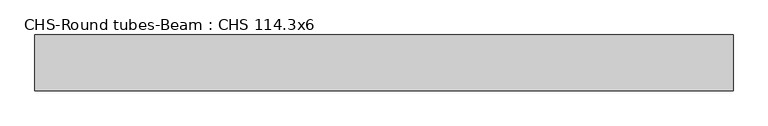
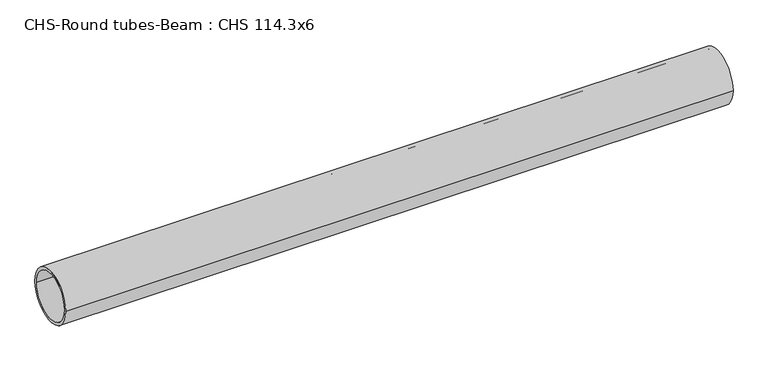
"""IFC4 building model written with IfcOpenShell, lengths in millimetres: beam geometry, CHS-Round tubes-Beam : CHS 114.3x6."""

import ifcopenshell
import ifcopenshell.guid

model = None  # the IFC model being written
_history = None  # IfcOwnerHistory: only IFC2X3 demands one
_inside = {}  # id of a spatial element -> (the spatial element, [elements in it])
_under = {}  # id of a project, library or spatial element -> (it, [spatial elements below it])
_declared = {}  # id of a project -> (the project, [libraries it declares])
_typed = {}  # id of a type object -> (the type object, [elements of that type])
_made_of = {}  # id of a material, layer set ... -> (it, [elements and type objects made of it])


def new_model(schema):
    """Start an empty IFC model of exactly this schema.

    Asked for "IFC4X3", IfcOpenShell would pick the latest addendum, in which some entities
    have other attributes; the version numbers below select the first issue.
    IFC2X3 requires an IfcOwnerHistory on every rooted entity: one is made here for all.
    """
    global model, _history
    if schema == "IFC4X3":
        model = ifcopenshell.file(schema_version=(4, 3, 0, 0))
    else:
        model = ifcopenshell.file(schema=schema)
    _inside.clear()
    _under.clear()
    _declared.clear()
    _typed.clear()
    _made_of.clear()
    _history = None
    if model.schema == "IFC2X3":
        org = make("IfcOrganization", Name="unknown")
        user = make(
            "IfcPersonAndOrganization",
            ThePerson=make("IfcPerson", FamilyName="unknown"),
            TheOrganization=org,
        )
        app = make(
            "IfcApplication",
            ApplicationDeveloper=org,
            Version="unknown",
            ApplicationFullName="unknown",
            ApplicationIdentifier="unknown",
        )
        _history = make(
            "IfcOwnerHistory",
            OwningUser=user,
            OwningApplication=app,
            ChangeAction="ADDED",
            CreationDate=0,
        )
    return model


def make(cls, **values):
    """One entity of the class cls with the attributes given. An attribute that is None is left unset."""
    return model.create_entity(
        cls, **{name: value for name, value in values.items() if value is not None}
    )


def rooted(cls, **values):
    """An entity with a GlobalId (a new one), such as an element, a storey or a relation."""
    return make(cls, GlobalId=ifcopenshell.guid.new(), OwnerHistory=_history, **values)


def si_unit(unit_type, name, prefix=None):
    """IfcSIUnit, for example si_unit("LENGTHUNIT", "METRE", prefix="MILLI")."""
    return make("IfcSIUnit", UnitType=unit_type, Prefix=prefix, Name=name)


def assignment(units):
    """IfcUnitAssignment: the units of a project."""
    return None if units is None else make("IfcUnitAssignment", Units=units)


def point(xyz):
    """IfcCartesianPoint."""
    return None if xyz is None else make("IfcCartesianPoint", Coordinates=xyz)


def direction(xyz):
    """IfcDirection."""
    return None if xyz is None else make("IfcDirection", DirectionRatios=xyz)


def frame(location, z_axis=None, x_axis=None):
    """IfcAxis2Placement3D, a coordinate frame: its origin and axes. An axis left out is left unset."""
    return make(
        "IfcAxis2Placement3D",
        Location=point(location),
        Axis=direction(z_axis),
        RefDirection=direction(x_axis),
    )


def frame_2d(location, x_axis=None):
    """IfcAxis2Placement2D, a coordinate frame in the plane: its origin and x axis."""
    return make(
        "IfcAxis2Placement2D", Location=point(location), RefDirection=direction(x_axis)
    )


def origin():
    """The frame at (0, 0, 0) with its axes left unset."""
    return frame((0.0, 0.0, 0.0))


def origin_2d():
    """The frame at (0, 0) in the plane with its x axis left unset."""
    return frame_2d((0.0, 0.0))


def place(relative_to, where):
    """IfcLocalPlacement: puts the frame where relative to a parent placement (None: the world)."""
    return make(
        "IfcLocalPlacement", PlacementRelTo=relative_to, RelativePlacement=where
    )


def context(
    kind, dimensions, precision=None, world=None, true_north=None, identifier=None
):
    """IfcGeometricRepresentationContext, for example the 3D "Model" context."""
    return make(
        "IfcGeometricRepresentationContext",
        ContextIdentifier=identifier,
        ContextType=kind,
        CoordinateSpaceDimension=dimensions,
        Precision=precision,
        WorldCoordinateSystem=world,
        TrueNorth=true_north,
    )


def project(units=None, contexts=None):
    """IfcProject with its units and contexts."""
    return rooted(
        "IfcProject",
        Name="project",
        RepresentationContexts=contexts,
        UnitsInContext=assignment(units),
    )


def spatial(cls, under=None, at=None, **own):
    """A site, building, storey or space (cls), placed at a placement, below another one or the project."""
    s = rooted(cls, ObjectPlacement=at, **own)
    if under is not None:
        _under.setdefault(under.id(), (under, []))[1].append(s)
    return s


def circle_curve(where, radius):
    """IfcCircle in the frame where."""
    return make("IfcCircle", Position=where, Radius=radius)


def trimmed(basis, trim1, trim2, sense, master):
    """IfcTrimmedCurve: the piece of a basis curve between two trims."""
    return make(
        "IfcTrimmedCurve",
        BasisCurve=basis,
        Trim1=trim1,
        Trim2=trim2,
        SenseAgreement=sense,
        MasterRepresentation=master,
    )


def segment(curve, same_sense, transition):
    """IfcCompositeCurveSegment."""
    return make(
        "IfcCompositeCurveSegment",
        Transition=transition,
        SameSense=same_sense,
        ParentCurve=curve,
    )


def composite_curve(segments, self_intersect=None):
    """IfcCompositeCurve: segments joined end to end."""
    return make("IfcCompositeCurve", Segments=segments, SelfIntersect=self_intersect)


def outline(outer, holes=None, kind="AREA"):
    """IfcArbitraryClosedProfileDef: a profile drawn as a closed curve; with holes, ...WithVoids."""
    if holes is None:
        return make("IfcArbitraryClosedProfileDef", ProfileType=kind, OuterCurve=outer)
    return make(
        "IfcArbitraryProfileDefWithVoids",
        ProfileType=kind,
        OuterCurve=outer,
        InnerCurves=holes,
    )


def extrude(swept, where, along, depth):
    """IfcExtrudedAreaSolid: the profile swept, set in the frame where, extruded along a direction by depth."""
    return make(
        "IfcExtrudedAreaSolid",
        SweptArea=swept,
        Position=where,
        ExtrudedDirection=direction(along),
        Depth=depth,
    )


def shape(context_of_items, identifier, shape_type, items):
    """IfcShapeRepresentation: the items that make up one representation, for example the "Body"."""
    return make(
        "IfcShapeRepresentation",
        ContextOfItems=context_of_items,
        RepresentationIdentifier=identifier,
        RepresentationType=shape_type,
        Items=items,
    )


def source(mapping_origin, context_of_items, identifier, shape_type, items):
    """IfcRepresentationMap: a shape defined once, which mapped items show again and again."""
    return make(
        "IfcRepresentationMap",
        MappingOrigin=mapping_origin,
        MappedRepresentation=shape(context_of_items, identifier, shape_type, items),
    )


def transform(
    local_origin,
    x_axis=None,
    y_axis=None,
    z_axis=None,
    scale=None,
    scale2=None,
    scale3=None,
    uniform=True,
):
    """IfcCartesianTransformationOperator3D, or its non-uniform kind. x_axis, y_axis, z_axis: its Axis1, 2, 3."""
    if uniform:
        return make(
            "IfcCartesianTransformationOperator3D",
            Axis1=direction(x_axis),
            Axis2=direction(y_axis),
            LocalOrigin=point(local_origin),
            Scale=scale,
            Axis3=direction(z_axis),
        )
    return make(
        "IfcCartesianTransformationOperator3DnonUniform",
        Axis1=direction(x_axis),
        Axis2=direction(y_axis),
        LocalOrigin=point(local_origin),
        Scale=scale,
        Axis3=direction(z_axis),
        Scale2=scale2,
        Scale3=scale3,
    )


def mapped(mapping_source, mapping_target):
    """IfcMappedItem: shows the shape of a source again, moved by a transform."""
    return make(
        "IfcMappedItem", MappingSource=mapping_source, MappingTarget=mapping_target
    )


def made_of(thing, what):
    """Note that an element or type object is made of a material, layer set ...; save() writes the relation."""
    if what is not None:
        _made_of.setdefault(what.id(), (what, []))[1].append(thing)
    return thing


def element(
    cls,
    number,
    at=None,
    inside=None,
    cuts=None,
    type_object=None,
    material=None,
    context=None,
    identifier="Body",
    shape_type=None,
    held_by="IfcProductDefinitionShape",
    body=None,
    shapes=None,
    **own,
):
    """One element of the class cls, such as IfcWall. Its Tag is "e" and its number.

    at: its placement. inside: the storey or other place that contains it. cuts: it is an
    opening in that element (IfcRelVoidsElement). A single representation is given by context,
    identifier, shape_type and body (its items); several are given by shapes. held_by: the class
    of the entity that holds the representations. save() writes the other relations.
    """
    e = rooted(cls, Tag="e%d" % number, ObjectPlacement=at, **own)
    if body is not None:
        shapes = [shape(context, identifier, shape_type, body)]
    if shapes is not None:
        e.Representation = make(held_by, Representations=shapes)
    if inside is not None:
        _inside.setdefault(inside.id(), (inside, []))[1].append(e)
    if cuts is not None:
        rooted(
            "IfcRelVoidsElement", RelatingBuildingElement=cuts, RelatedOpeningElement=e
        )
    if type_object is not None:
        _typed.setdefault(type_object.id(), (type_object, []))[1].append(e)
    return made_of(e, material)


def aggregate(whole, parts):
    """IfcRelAggregates: a whole, such as a stair, and the parts it consists of."""
    return rooted("IfcRelAggregates", RelatingObject=whole, RelatedObjects=parts)


def save(model, path):
    """Write the relations noted so far, then the file.

    IfcRelAggregates (storeys below a building ...), IfcRelContainedInSpatialStructure (elements
    in a storey), IfcRelDefinesByType, IfcRelAssociatesMaterial and IfcRelDeclares: one each for
    every whole, place, type object, material and project.
    """
    for whole, parts in _under.values():
        aggregate(whole, parts)
    for where, things in _inside.values():
        rooted(
            "IfcRelContainedInSpatialStructure",
            RelatedElements=things,
            RelatingStructure=where,
        )
    for kind, things in _typed.values():
        rooted("IfcRelDefinesByType", RelatedObjects=things, RelatingType=kind)
    for what, things in _made_of.values():
        rooted("IfcRelAssociatesMaterial", RelatedObjects=things, RelatingMaterial=what)
    for by, libraries in _declared.values():
        rooted("IfcRelDeclares", RelatingContext=by, RelatedDefinitions=libraries)
    model.write(path)


def chs_round_tubes_beam_chs_114_3x6_32768fa9(model_context):
    return source(origin(), model_context, "Body", "SweptSolid", [
        extrude(outline(composite_curve([segment(trimmed(circle_curve(origin_2d(), 57.15), [point((57.15, 0.0))], [point((-57.15, 0.0))], False, "CARTESIAN"), True, "CONTINUOUS"), segment(trimmed(circle_curve(origin_2d(), 57.15), [point((-57.15, 0.0))], [point((57.15, 0.0))], False, "CARTESIAN"), True, "CONTINUOUS")], self_intersect=False), holes=[composite_curve([segment(trimmed(circle_curve(origin_2d(), 51.15), [point((51.15, 0.0))], [point((-51.15, 0.0))], True, "CARTESIAN"), True, "CONTINUOUS"), segment(trimmed(circle_curve(origin_2d(), 51.15), [point((-51.15, 0.0))], [point((51.15, 0.0))], True, "CARTESIAN"), True, "CONTINUOUS")], self_intersect=False)]), frame((-785.4366172, 0.0, 0.0), z_axis=(1.0, 0.0, 0.0), x_axis=(0.0, 1.0, 0.0)), (0.0, 0.0, 1.0), 1426.7107155),
    ])


if __name__ == "__main__":
    model = new_model("IFC4")
    model_context = context("Model", 3, world=origin())
    ifc_project = project(units=[si_unit("LENGTHUNIT", "METRE", prefix="MILLI")], contexts=[model_context])
    site = spatial("IfcSite", under=ifc_project)
    building = spatial("IfcBuilding", under=site)
    placement = place(None, origin())
    chs_round_tubes_beam_chs_114_3x6_shape = chs_round_tubes_beam_chs_114_3x6_32768fa9(model_context)
    element("IfcBeam", 1, ObjectType="CHS-Round tubes-Beam : CHS 114.3x6", at=placement, inside=building, context=model_context, shape_type="MappedRepresentation", body=[
        mapped(chs_round_tubes_beam_chs_114_3x6_shape, transform((0.0, 0.0, 0.0), x_axis=(1.0, 0.0, 0.0), y_axis=(0.0, 1.0, 0.0), z_axis=(0.0, 0.0, 1.0))),
    ])
    save(model, "model.ifc")
